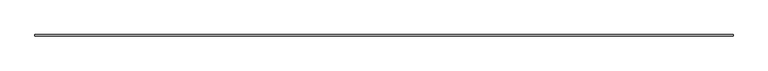
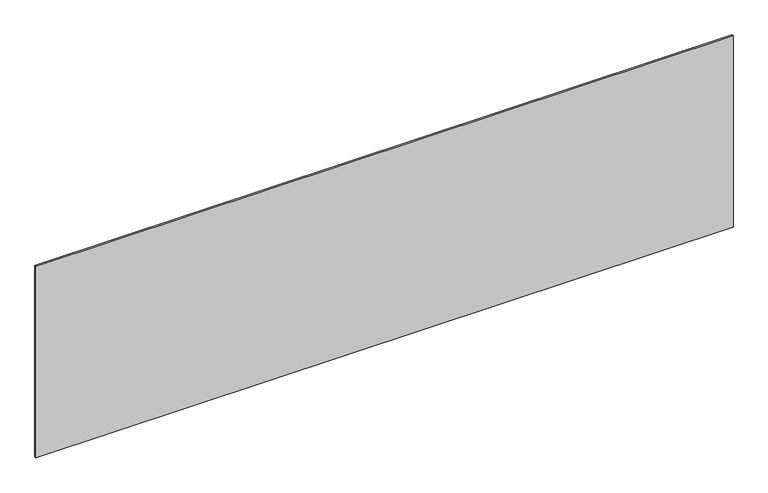
"""IFC4 building model written with IfcOpenShell, lengths in millimetres: plate geometry."""

from ifc_helpers import new_model, si_unit, origin, origin_with_axes, place, context, project, spatial, polyline, outline, extrude, source, transform, mapped, element, save


def plate_022f3ca5(model_context):
    return source(origin(), model_context, "Body", "SweptSolid", [
        extrude(outline(polyline([(2281.6666667, -5.0), (-2281.6666667, -5.0), (-2281.6666667, 5.0), (2281.6666667, 5.0), (2281.6666667, -5.0)])), origin_with_axes(), (0.0, 0.0, 1.0), 1325.4316357),
    ])


if __name__ == "__main__":
    model = new_model("IFC4")
    model_context = context("Model", 3, world=origin())
    ifc_project = project(units=[si_unit("LENGTHUNIT", "METRE", prefix="MILLI")], contexts=[model_context])
    site = spatial("IfcSite", under=ifc_project)
    building = spatial("IfcBuilding", under=site)
    placement = place(None, origin())
    plate_shape = plate_022f3ca5(model_context)
    element("IfcPlate", 1, at=placement, inside=building, context=model_context, shape_type="MappedRepresentation", body=[
        mapped(plate_shape, transform((0.0, 0.0, 0.0), x_axis=(1.0, 0.0, 0.0), y_axis=(0.0, 1.0, 0.0), z_axis=(0.0, 0.0, 1.0))),
    ])
    save(model, "model.ifc")
